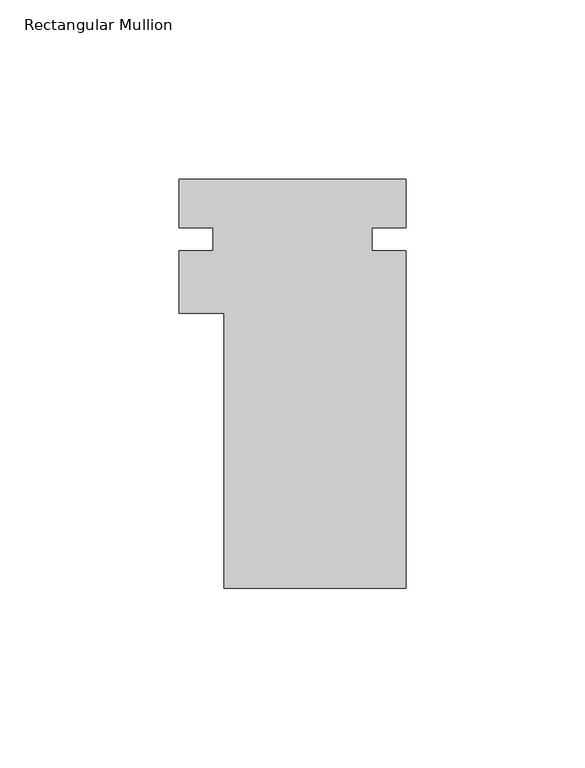
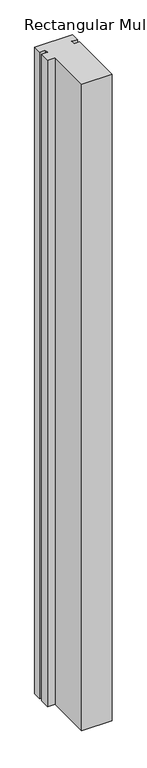
"""IFC4 building model written with IfcOpenShell, lengths in millimetres: member geometry, Rectangular Mullion."""

import ifcopenshell
import ifcopenshell.guid

model = None  # the IFC model being written
_history = None  # IfcOwnerHistory: only IFC2X3 demands one
_inside = {}  # id of a spatial element -> (the spatial element, [elements in it])
_under = {}  # id of a project, library or spatial element -> (it, [spatial elements below it])
_declared = {}  # id of a project -> (the project, [libraries it declares])
_typed = {}  # id of a type object -> (the type object, [elements of that type])
_made_of = {}  # id of a material, layer set ... -> (it, [elements and type objects made of it])


def new_model(schema):
    """Start an empty IFC model of exactly this schema.

    Asked for "IFC4X3", IfcOpenShell would pick the latest addendum, in which some entities
    have other attributes; the version numbers below select the first issue.
    IFC2X3 requires an IfcOwnerHistory on every rooted entity: one is made here for all.
    """
    global model, _history
    if schema == "IFC4X3":
        model = ifcopenshell.file(schema_version=(4, 3, 0, 0))
    else:
        model = ifcopenshell.file(schema=schema)
    _inside.clear()
    _under.clear()
    _declared.clear()
    _typed.clear()
    _made_of.clear()
    _history = None
    if model.schema == "IFC2X3":
        org = make("IfcOrganization", Name="unknown")
        user = make(
            "IfcPersonAndOrganization",
            ThePerson=make("IfcPerson", FamilyName="unknown"),
            TheOrganization=org,
        )
        app = make(
            "IfcApplication",
            ApplicationDeveloper=org,
            Version="unknown",
            ApplicationFullName="unknown",
            ApplicationIdentifier="unknown",
        )
        _history = make(
            "IfcOwnerHistory",
            OwningUser=user,
            OwningApplication=app,
            ChangeAction="ADDED",
            CreationDate=0,
        )
    return model


def make(cls, **values):
    """One entity of the class cls with the attributes given. An attribute that is None is left unset."""
    return model.create_entity(
        cls, **{name: value for name, value in values.items() if value is not None}
    )


def rooted(cls, **values):
    """An entity with a GlobalId (a new one), such as an element, a storey or a relation."""
    return make(cls, GlobalId=ifcopenshell.guid.new(), OwnerHistory=_history, **values)


def si_unit(unit_type, name, prefix=None):
    """IfcSIUnit, for example si_unit("LENGTHUNIT", "METRE", prefix="MILLI")."""
    return make("IfcSIUnit", UnitType=unit_type, Prefix=prefix, Name=name)


def assignment(units):
    """IfcUnitAssignment: the units of a project."""
    return None if units is None else make("IfcUnitAssignment", Units=units)


def point(xyz):
    """IfcCartesianPoint."""
    return None if xyz is None else make("IfcCartesianPoint", Coordinates=xyz)


def direction(xyz):
    """IfcDirection."""
    return None if xyz is None else make("IfcDirection", DirectionRatios=xyz)


def frame(location, z_axis=None, x_axis=None):
    """IfcAxis2Placement3D, a coordinate frame: its origin and axes. An axis left out is left unset."""
    return make(
        "IfcAxis2Placement3D",
        Location=point(location),
        Axis=direction(z_axis),
        RefDirection=direction(x_axis),
    )


def origin():
    """The frame at (0, 0, 0) with its axes left unset."""
    return frame((0.0, 0.0, 0.0))


def place(relative_to, where):
    """IfcLocalPlacement: puts the frame where relative to a parent placement (None: the world)."""
    return make(
        "IfcLocalPlacement", PlacementRelTo=relative_to, RelativePlacement=where
    )


def context(
    kind, dimensions, precision=None, world=None, true_north=None, identifier=None
):
    """IfcGeometricRepresentationContext, for example the 3D "Model" context."""
    return make(
        "IfcGeometricRepresentationContext",
        ContextIdentifier=identifier,
        ContextType=kind,
        CoordinateSpaceDimension=dimensions,
        Precision=precision,
        WorldCoordinateSystem=world,
        TrueNorth=true_north,
    )


def project(units=None, contexts=None):
    """IfcProject with its units and contexts."""
    return rooted(
        "IfcProject",
        Name="project",
        RepresentationContexts=contexts,
        UnitsInContext=assignment(units),
    )


def spatial(cls, under=None, at=None, **own):
    """A site, building, storey or space (cls), placed at a placement, below another one or the project."""
    s = rooted(cls, ObjectPlacement=at, **own)
    if under is not None:
        _under.setdefault(under.id(), (under, []))[1].append(s)
    return s


def polyline(points):
    """IfcPolyline through the points."""
    return make("IfcPolyline", Points=[point(p) for p in points])


def outline(outer, holes=None, kind="AREA"):
    """IfcArbitraryClosedProfileDef: a profile drawn as a closed curve; with holes, ...WithVoids."""
    if holes is None:
        return make("IfcArbitraryClosedProfileDef", ProfileType=kind, OuterCurve=outer)
    return make(
        "IfcArbitraryProfileDefWithVoids",
        ProfileType=kind,
        OuterCurve=outer,
        InnerCurves=holes,
    )


def extrude(swept, where, along, depth):
    """IfcExtrudedAreaSolid: the profile swept, set in the frame where, extruded along a direction by depth."""
    return make(
        "IfcExtrudedAreaSolid",
        SweptArea=swept,
        Position=where,
        ExtrudedDirection=direction(along),
        Depth=depth,
    )


def shape(context_of_items, identifier, shape_type, items):
    """IfcShapeRepresentation: the items that make up one representation, for example the "Body"."""
    return make(
        "IfcShapeRepresentation",
        ContextOfItems=context_of_items,
        RepresentationIdentifier=identifier,
        RepresentationType=shape_type,
        Items=items,
    )


def source(mapping_origin, context_of_items, identifier, shape_type, items):
    """IfcRepresentationMap: a shape defined once, which mapped items show again and again."""
    return make(
        "IfcRepresentationMap",
        MappingOrigin=mapping_origin,
        MappedRepresentation=shape(context_of_items, identifier, shape_type, items),
    )


def transform(
    local_origin,
    x_axis=None,
    y_axis=None,
    z_axis=None,
    scale=None,
    scale2=None,
    scale3=None,
    uniform=True,
):
    """IfcCartesianTransformationOperator3D, or its non-uniform kind. x_axis, y_axis, z_axis: its Axis1, 2, 3."""
    if uniform:
        return make(
            "IfcCartesianTransformationOperator3D",
            Axis1=direction(x_axis),
            Axis2=direction(y_axis),
            LocalOrigin=point(local_origin),
            Scale=scale,
            Axis3=direction(z_axis),
        )
    return make(
        "IfcCartesianTransformationOperator3DnonUniform",
        Axis1=direction(x_axis),
        Axis2=direction(y_axis),
        LocalOrigin=point(local_origin),
        Scale=scale,
        Axis3=direction(z_axis),
        Scale2=scale2,
        Scale3=scale3,
    )


def mapped(mapping_source, mapping_target):
    """IfcMappedItem: shows the shape of a source again, moved by a transform."""
    return make(
        "IfcMappedItem", MappingSource=mapping_source, MappingTarget=mapping_target
    )


def made_of(thing, what):
    """Note that an element or type object is made of a material, layer set ...; save() writes the relation."""
    if what is not None:
        _made_of.setdefault(what.id(), (what, []))[1].append(thing)
    return thing


def element(
    cls,
    number,
    at=None,
    inside=None,
    cuts=None,
    type_object=None,
    material=None,
    context=None,
    identifier="Body",
    shape_type=None,
    held_by="IfcProductDefinitionShape",
    body=None,
    shapes=None,
    **own,
):
    """One element of the class cls, such as IfcWall. Its Tag is "e" and its number.

    at: its placement. inside: the storey or other place that contains it. cuts: it is an
    opening in that element (IfcRelVoidsElement). A single representation is given by context,
    identifier, shape_type and body (its items); several are given by shapes. held_by: the class
    of the entity that holds the representations. save() writes the other relations.
    """
    e = rooted(cls, Tag="e%d" % number, ObjectPlacement=at, **own)
    if body is not None:
        shapes = [shape(context, identifier, shape_type, body)]
    if shapes is not None:
        e.Representation = make(held_by, Representations=shapes)
    if inside is not None:
        _inside.setdefault(inside.id(), (inside, []))[1].append(e)
    if cuts is not None:
        rooted(
            "IfcRelVoidsElement", RelatingBuildingElement=cuts, RelatedOpeningElement=e
        )
    if type_object is not None:
        _typed.setdefault(type_object.id(), (type_object, []))[1].append(e)
    return made_of(e, material)


def aggregate(whole, parts):
    """IfcRelAggregates: a whole, such as a stair, and the parts it consists of."""
    return rooted("IfcRelAggregates", RelatingObject=whole, RelatedObjects=parts)


def save(model, path):
    """Write the relations noted so far, then the file.

    IfcRelAggregates (storeys below a building ...), IfcRelContainedInSpatialStructure (elements
    in a storey), IfcRelDefinesByType, IfcRelAssociatesMaterial and IfcRelDeclares: one each for
    every whole, place, type object, material and project.
    """
    for whole, parts in _under.values():
        aggregate(whole, parts)
    for where, things in _inside.values():
        rooted(
            "IfcRelContainedInSpatialStructure",
            RelatedElements=things,
            RelatingStructure=where,
        )
    for kind, things in _typed.values():
        rooted("IfcRelDefinesByType", RelatedObjects=things, RelatingType=kind)
    for what, things in _made_of.values():
        rooted("IfcRelAssociatesMaterial", RelatedObjects=things, RelatingMaterial=what)
    for by, libraries in _declared.values():
        rooted("IfcRelDeclares", RelatingContext=by, RelatedDefinitions=libraries)
    model.write(path)


def rectangular_mullion_47342da1(model_context):
    return source(origin(), model_context, "Body", "SweptSolid", [
        extrude(outline(polyline([(25.4, -39.773225), (-25.4, -39.773225), (-25.4, 37.061775), (-38.0999959, 37.061775), (-38.0999959, 54.524275), (-28.5749959, 54.524275), (-28.5749959, 60.874275), (-38.0999959, 60.874275), (-38.0999959, 74.526775), (25.4, 74.526775), (25.4, 60.874275), (15.875, 60.874275), (15.875, 54.524275), (25.4, 54.524275), (25.4, -39.773225)])), frame((0.0, 0.0, -1143.0), z_axis=(0.0, 0.0, 1.0), x_axis=(1.0, 0.0, 0.0)), (0.0, 0.0, 1.0), 1143.0),
    ])


if __name__ == "__main__":
    model = new_model("IFC4")
    model_context = context("Model", 3, world=origin())
    ifc_project = project(units=[si_unit("LENGTHUNIT", "METRE", prefix="MILLI")], contexts=[model_context])
    site = spatial("IfcSite", under=ifc_project)
    building = spatial("IfcBuilding", under=site)
    placement = place(None, origin())
    rectangular_mullion_shape = rectangular_mullion_47342da1(model_context)
    element("IfcMember", 1, ObjectType="Rectangular Mullion", at=placement, inside=building, context=model_context, shape_type="MappedRepresentation", body=[
        mapped(rectangular_mullion_shape, transform((0.0, 0.0, 0.0), x_axis=(1.0, 0.0, 0.0), y_axis=(0.0, 1.0, 0.0), z_axis=(0.0, 0.0, 1.0))),
    ])
    save(model, "model.ifc")
